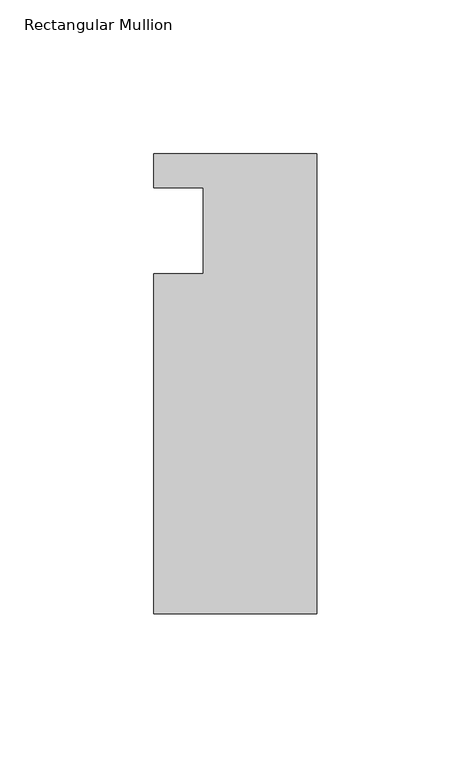
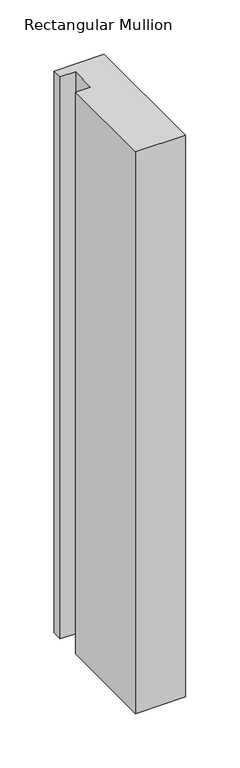
"""IFC4 building model written with IfcOpenShell, lengths in millimetres: member geometry, Rectangular Mullion."""

import ifcopenshell
import ifcopenshell.guid

model = None  # the IFC model being written
_history = None  # IfcOwnerHistory: only IFC2X3 demands one
_inside = {}  # id of a spatial element -> (the spatial element, [elements in it])
_under = {}  # id of a project, library or spatial element -> (it, [spatial elements below it])
_declared = {}  # id of a project -> (the project, [libraries it declares])
_typed = {}  # id of a type object -> (the type object, [elements of that type])
_made_of = {}  # id of a material, layer set ... -> (it, [elements and type objects made of it])


def new_model(schema):
    """Start an empty IFC model of exactly this schema.

    Asked for "IFC4X3", IfcOpenShell would pick the latest addendum, in which some entities
    have other attributes; the version numbers below select the first issue.
    IFC2X3 requires an IfcOwnerHistory on every rooted entity: one is made here for all.
    """
    global model, _history
    if schema == "IFC4X3":
        model = ifcopenshell.file(schema_version=(4, 3, 0, 0))
    else:
        model = ifcopenshell.file(schema=schema)
    _inside.clear()
    _under.clear()
    _declared.clear()
    _typed.clear()
    _made_of.clear()
    _history = None
    if model.schema == "IFC2X3":
        org = make("IfcOrganization", Name="unknown")
        user = make(
            "IfcPersonAndOrganization",
            ThePerson=make("IfcPerson", FamilyName="unknown"),
            TheOrganization=org,
        )
        app = make(
            "IfcApplication",
            ApplicationDeveloper=org,
            Version="unknown",
            ApplicationFullName="unknown",
            ApplicationIdentifier="unknown",
        )
        _history = make(
            "IfcOwnerHistory",
            OwningUser=user,
            OwningApplication=app,
            ChangeAction="ADDED",
            CreationDate=0,
        )
    return model


def make(cls, **values):
    """One entity of the class cls with the attributes given. An attribute that is None is left unset."""
    return model.create_entity(
        cls, **{name: value for name, value in values.items() if value is not None}
    )


def rooted(cls, **values):
    """An entity with a GlobalId (a new one), such as an element, a storey or a relation."""
    return make(cls, GlobalId=ifcopenshell.guid.new(), OwnerHistory=_history, **values)


def si_unit(unit_type, name, prefix=None):
    """IfcSIUnit, for example si_unit("LENGTHUNIT", "METRE", prefix="MILLI")."""
    return make("IfcSIUnit", UnitType=unit_type, Prefix=prefix, Name=name)


def assignment(units):
    """IfcUnitAssignment: the units of a project."""
    return None if units is None else make("IfcUnitAssignment", Units=units)


def point(xyz):
    """IfcCartesianPoint."""
    return None if xyz is None else make("IfcCartesianPoint", Coordinates=xyz)


def direction(xyz):
    """IfcDirection."""
    return None if xyz is None else make("IfcDirection", DirectionRatios=xyz)


def frame(location, z_axis=None, x_axis=None):
    """IfcAxis2Placement3D, a coordinate frame: its origin and axes. An axis left out is left unset."""
    return make(
        "IfcAxis2Placement3D",
        Location=point(location),
        Axis=direction(z_axis),
        RefDirection=direction(x_axis),
    )


def origin():
    """The frame at (0, 0, 0) with its axes left unset."""
    return frame((0.0, 0.0, 0.0))


def place(relative_to, where):
    """IfcLocalPlacement: puts the frame where relative to a parent placement (None: the world)."""
    return make(
        "IfcLocalPlacement", PlacementRelTo=relative_to, RelativePlacement=where
    )


def context(
    kind, dimensions, precision=None, world=None, true_north=None, identifier=None
):
    """IfcGeometricRepresentationContext, for example the 3D "Model" context."""
    return make(
        "IfcGeometricRepresentationContext",
        ContextIdentifier=identifier,
        ContextType=kind,
        CoordinateSpaceDimension=dimensions,
        Precision=precision,
        WorldCoordinateSystem=world,
        TrueNorth=true_north,
    )


def project(units=None, contexts=None):
    """IfcProject with its units and contexts."""
    return rooted(
        "IfcProject",
        Name="project",
        RepresentationContexts=contexts,
        UnitsInContext=assignment(units),
    )


def spatial(cls, under=None, at=None, **own):
    """A site, building, storey or space (cls), placed at a placement, below another one or the project."""
    s = rooted(cls, ObjectPlacement=at, **own)
    if under is not None:
        _under.setdefault(under.id(), (under, []))[1].append(s)
    return s


def polyline(points):
    """IfcPolyline through the points."""
    return make("IfcPolyline", Points=[point(p) for p in points])


def outline(outer, holes=None, kind="AREA"):
    """IfcArbitraryClosedProfileDef: a profile drawn as a closed curve; with holes, ...WithVoids."""
    if holes is None:
        return make("IfcArbitraryClosedProfileDef", ProfileType=kind, OuterCurve=outer)
    return make(
        "IfcArbitraryProfileDefWithVoids",
        ProfileType=kind,
        OuterCurve=outer,
        InnerCurves=holes,
    )


def extrude(swept, where, along, depth):
    """IfcExtrudedAreaSolid: the profile swept, set in the frame where, extruded along a direction by depth."""
    return make(
        "IfcExtrudedAreaSolid",
        SweptArea=swept,
        Position=where,
        ExtrudedDirection=direction(along),
        Depth=depth,
    )


def shape(context_of_items, identifier, shape_type, items):
    """IfcShapeRepresentation: the items that make up one representation, for example the "Body"."""
    return make(
        "IfcShapeRepresentation",
        ContextOfItems=context_of_items,
        RepresentationIdentifier=identifier,
        RepresentationType=shape_type,
        Items=items,
    )


def source(mapping_origin, context_of_items, identifier, shape_type, items):
    """IfcRepresentationMap: a shape defined once, which mapped items show again and again."""
    return make(
        "IfcRepresentationMap",
        MappingOrigin=mapping_origin,
        MappedRepresentation=shape(context_of_items, identifier, shape_type, items),
    )


def transform(
    local_origin,
    x_axis=None,
    y_axis=None,
    z_axis=None,
    scale=None,
    scale2=None,
    scale3=None,
    uniform=True,
):
    """IfcCartesianTransformationOperator3D, or its non-uniform kind. x_axis, y_axis, z_axis: its Axis1, 2, 3."""
    if uniform:
        return make(
            "IfcCartesianTransformationOperator3D",
            Axis1=direction(x_axis),
            Axis2=direction(y_axis),
            LocalOrigin=point(local_origin),
            Scale=scale,
            Axis3=direction(z_axis),
        )
    return make(
        "IfcCartesianTransformationOperator3DnonUniform",
        Axis1=direction(x_axis),
        Axis2=direction(y_axis),
        LocalOrigin=point(local_origin),
        Scale=scale,
        Axis3=direction(z_axis),
        Scale2=scale2,
        Scale3=scale3,
    )


def mapped(mapping_source, mapping_target):
    """IfcMappedItem: shows the shape of a source again, moved by a transform."""
    return make(
        "IfcMappedItem", MappingSource=mapping_source, MappingTarget=mapping_target
    )


def made_of(thing, what):
    """Note that an element or type object is made of a material, layer set ...; save() writes the relation."""
    if what is not None:
        _made_of.setdefault(what.id(), (what, []))[1].append(thing)
    return thing


def element(
    cls,
    number,
    at=None,
    inside=None,
    cuts=None,
    type_object=None,
    material=None,
    context=None,
    identifier="Body",
    shape_type=None,
    held_by="IfcProductDefinitionShape",
    body=None,
    shapes=None,
    **own,
):
    """One element of the class cls, such as IfcWall. Its Tag is "e" and its number.

    at: its placement. inside: the storey or other place that contains it. cuts: it is an
    opening in that element (IfcRelVoidsElement). A single representation is given by context,
    identifier, shape_type and body (its items); several are given by shapes. held_by: the class
    of the entity that holds the representations. save() writes the other relations.
    """
    e = rooted(cls, Tag="e%d" % number, ObjectPlacement=at, **own)
    if body is not None:
        shapes = [shape(context, identifier, shape_type, body)]
    if shapes is not None:
        e.Representation = make(held_by, Representations=shapes)
    if inside is not None:
        _inside.setdefault(inside.id(), (inside, []))[1].append(e)
    if cuts is not None:
        rooted(
            "IfcRelVoidsElement", RelatingBuildingElement=cuts, RelatedOpeningElement=e
        )
    if type_object is not None:
        _typed.setdefault(type_object.id(), (type_object, []))[1].append(e)
    return made_of(e, material)


def aggregate(whole, parts):
    """IfcRelAggregates: a whole, such as a stair, and the parts it consists of."""
    return rooted("IfcRelAggregates", RelatingObject=whole, RelatedObjects=parts)


def save(model, path):
    """Write the relations noted so far, then the file.

    IfcRelAggregates (storeys below a building ...), IfcRelContainedInSpatialStructure (elements
    in a storey), IfcRelDefinesByType, IfcRelAssociatesMaterial and IfcRelDeclares: one each for
    every whole, place, type object, material and project.
    """
    for whole, parts in _under.values():
        aggregate(whole, parts)
    for where, things in _inside.values():
        rooted(
            "IfcRelContainedInSpatialStructure",
            RelatedElements=things,
            RelatingStructure=where,
        )
    for kind, things in _typed.values():
        rooted("IfcRelDefinesByType", RelatedObjects=things, RelatingType=kind)
    for what, things in _made_of.values():
        rooted("IfcRelAssociatesMaterial", RelatedObjects=things, RelatingMaterial=what)
    for by, libraries in _declared.values():
        rooted("IfcRelDeclares", RelatingContext=by, RelatedDefinitions=libraries)
    model.write(path)


def rectangular_mullion_ec0bbc79(model_context):
    return source(origin(), model_context, "Body", "SweptSolid", [
        extrude(outline(polyline([(0.0, 25.0), (0.0, -124.5), (-53.0, -124.5), (-53.0, -14.0), (-37.0, -14.0), (-37.0, 14.0), (-53.0, 14.0), (-53.0, 25.0), (0.0, 25.0)])), frame((0.0, 0.0, -629.1672627), z_axis=(0.0, 0.0, 1.0), x_axis=(1.0, 0.0, 0.0)), (0.0, 0.0, 1.0), 629.1672627),
    ])


if __name__ == "__main__":
    model = new_model("IFC4")
    model_context = context("Model", 3, world=origin())
    ifc_project = project(units=[si_unit("LENGTHUNIT", "METRE", prefix="MILLI")], contexts=[model_context])
    site = spatial("IfcSite", under=ifc_project)
    building = spatial("IfcBuilding", under=site)
    placement = place(None, origin())
    rectangular_mullion_shape = rectangular_mullion_ec0bbc79(model_context)
    element("IfcMember", 1, ObjectType="Rectangular Mullion", at=placement, inside=building, context=model_context, shape_type="MappedRepresentation", body=[
        mapped(rectangular_mullion_shape, transform((0.0, 0.0, 0.0), x_axis=(1.0, 0.0, 0.0), y_axis=(0.0, 1.0, 0.0), z_axis=(0.0, 0.0, 1.0))),
    ])
    save(model, "model.ifc")
